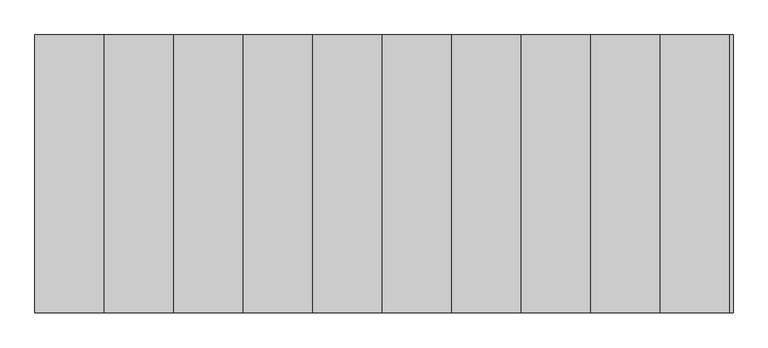
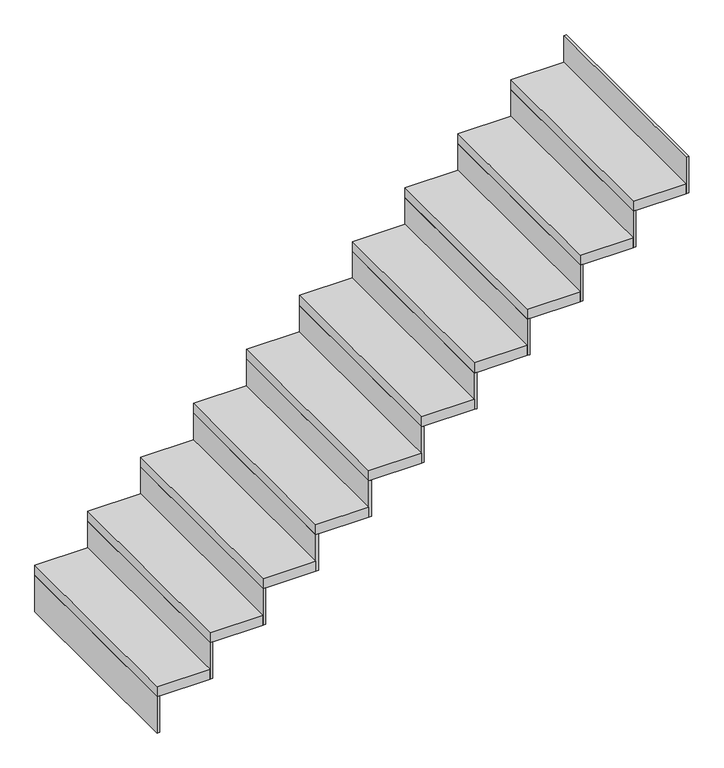
"""IFC4 building model written with IfcOpenShell, lengths in millimetres: stair flight geometry."""

from ifc_helpers import new_model, si_unit, frame, origin, place, context, project, spatial, polyline, outline, extrude, source, transform, mapped, element, save


def stair_flight_13216d06(model_context):
    return source(origin(), model_context, "Body", "SweptSolid", [
        extrude(outline(polyline([(5692.0324543, -17848.2676251), (5679.5324543, -17848.2676251), (5679.5324543, -16848.2676251), (5692.0324543, -16848.2676251), (5692.0324543, -17848.2676251)])), frame((0.0, 0.0, 1950.0), z_axis=(0.0, 0.0, 1.0), x_axis=(1.0, 0.0, 0.0)), (0.0, 0.0, 1.0), 181.8181818),
        extrude(outline(polyline([(5929.5324543, -16848.2676251), (5929.5324543, -17848.2676251), (5679.5324543, -17848.2676251), (5679.5324543, -16848.2676251), (5929.5324543, -16848.2676251)])), frame((0.0, 0.0, 2131.8181818), z_axis=(0.0, 0.0, 1.0), x_axis=(1.0, 0.0, 0.0)), (0.0, 0.0, 1.0), 50.0),
        extrude(outline(polyline([(5942.0324543, -17848.2676251), (5929.5324543, -17848.2676251), (5929.5324543, -16848.2676251), (5942.0324543, -16848.2676251), (5942.0324543, -17848.2676251)])), frame((0.0, 0.0, 2131.8181818), z_axis=(0.0, 0.0, 1.0), x_axis=(1.0, 0.0, 0.0)), (0.0, 0.0, 1.0), 181.8181818),
        extrude(outline(polyline([(6179.5324543, -16848.2676251), (6179.5324543, -17848.2676251), (5929.5324543, -17848.2676251), (5929.5324543, -16848.2676251), (6179.5324543, -16848.2676251)])), frame((0.0, 0.0, 2313.6363636), z_axis=(0.0, 0.0, 1.0), x_axis=(1.0, 0.0, 0.0)), (0.0, 0.0, 1.0), 50.0),
        extrude(outline(polyline([(6192.0324543, -17848.2676251), (6179.5324543, -17848.2676251), (6179.5324543, -16848.2676251), (6192.0324543, -16848.2676251), (6192.0324543, -17848.2676251)])), frame((0.0, 0.0, 2313.6363636), z_axis=(0.0, 0.0, 1.0), x_axis=(1.0, 0.0, 0.0)), (0.0, 0.0, 1.0), 181.8181818),
        extrude(outline(polyline([(6429.5324543, -16848.2676251), (6429.5324543, -17848.2676251), (6179.5324543, -17848.2676251), (6179.5324543, -16848.2676251), (6429.5324543, -16848.2676251)])), frame((0.0, 0.0, 2495.4545455), z_axis=(0.0, 0.0, 1.0), x_axis=(1.0, 0.0, 0.0)), (0.0, 0.0, 1.0), 50.0),
        extrude(outline(polyline([(6442.0324543, -17848.2676251), (6429.5324543, -17848.2676251), (6429.5324543, -16848.2676251), (6442.0324543, -16848.2676251), (6442.0324543, -17848.2676251)])), frame((0.0, 0.0, 2495.4545455), z_axis=(0.0, 0.0, 1.0), x_axis=(1.0, 0.0, 0.0)), (0.0, 0.0, 1.0), 181.8181818),
        extrude(outline(polyline([(6679.5324543, -16848.2676251), (6679.5324543, -17848.2676251), (6429.5324543, -17848.2676251), (6429.5324543, -16848.2676251), (6679.5324543, -16848.2676251)])), frame((0.0, 0.0, 2677.2727273), z_axis=(0.0, 0.0, 1.0), x_axis=(1.0, 0.0, 0.0)), (0.0, 0.0, 1.0), 50.0),
        extrude(outline(polyline([(6692.0324543, -17848.2676251), (6679.5324543, -17848.2676251), (6679.5324543, -16848.2676251), (6692.0324543, -16848.2676251), (6692.0324543, -17848.2676251)])), frame((0.0, 0.0, 2677.2727273), z_axis=(0.0, 0.0, 1.0), x_axis=(1.0, 0.0, 0.0)), (0.0, 0.0, 1.0), 181.8181818),
        extrude(outline(polyline([(6929.5324543, -16848.2676251), (6929.5324543, -17848.2676251), (6679.5324543, -17848.2676251), (6679.5324543, -16848.2676251), (6929.5324543, -16848.2676251)])), frame((0.0, 0.0, 2859.0909091), z_axis=(0.0, 0.0, 1.0), x_axis=(1.0, 0.0, 0.0)), (0.0, 0.0, 1.0), 50.0),
        extrude(outline(polyline([(6942.0324543, -17848.2676251), (6929.5324543, -17848.2676251), (6929.5324543, -16848.2676251), (6942.0324543, -16848.2676251), (6942.0324543, -17848.2676251)])), frame((0.0, 0.0, 2859.0909091), z_axis=(0.0, 0.0, 1.0), x_axis=(1.0, 0.0, 0.0)), (0.0, 0.0, 1.0), 181.8181818),
        extrude(outline(polyline([(7179.5324543, -16848.2676251), (7179.5324543, -17848.2676251), (6929.5324543, -17848.2676251), (6929.5324543, -16848.2676251), (7179.5324543, -16848.2676251)])), frame((0.0, 0.0, 3040.9090909), z_axis=(0.0, 0.0, 1.0), x_axis=(1.0, 0.0, 0.0)), (0.0, 0.0, 1.0), 50.0),
        extrude(outline(polyline([(7192.0324543, -17848.2676251), (7179.5324543, -17848.2676251), (7179.5324543, -16848.2676251), (7192.0324543, -16848.2676251), (7192.0324543, -17848.2676251)])), frame((0.0, 0.0, 3040.9090909), z_axis=(0.0, 0.0, 1.0), x_axis=(1.0, 0.0, 0.0)), (0.0, 0.0, 1.0), 181.8181818),
        extrude(outline(polyline([(7429.5324543, -16848.2676251), (7429.5324543, -17848.2676251), (7179.5324543, -17848.2676251), (7179.5324543, -16848.2676251), (7429.5324543, -16848.2676251)])), frame((0.0, 0.0, 3222.7272727), z_axis=(0.0, 0.0, 1.0), x_axis=(1.0, 0.0, 0.0)), (0.0, 0.0, 1.0), 50.0),
        extrude(outline(polyline([(7442.0324543, -17848.2676251), (7429.5324543, -17848.2676251), (7429.5324543, -16848.2676251), (7442.0324543, -16848.2676251), (7442.0324543, -17848.2676251)])), frame((0.0, 0.0, 3222.7272727), z_axis=(0.0, 0.0, 1.0), x_axis=(1.0, 0.0, 0.0)), (0.0, 0.0, 1.0), 181.8181818),
        extrude(outline(polyline([(7679.5324543, -16848.2676251), (7679.5324543, -17848.2676251), (7429.5324543, -17848.2676251), (7429.5324543, -16848.2676251), (7679.5324543, -16848.2676251)])), frame((0.0, 0.0, 3404.5454545), z_axis=(0.0, 0.0, 1.0), x_axis=(1.0, 0.0, 0.0)), (0.0, 0.0, 1.0), 50.0),
        extrude(outline(polyline([(7692.0324543, -17848.2676251), (7679.5324543, -17848.2676251), (7679.5324543, -16848.2676251), (7692.0324543, -16848.2676251), (7692.0324543, -17848.2676251)])), frame((0.0, 0.0, 3404.5454545), z_axis=(0.0, 0.0, 1.0), x_axis=(1.0, 0.0, 0.0)), (0.0, 0.0, 1.0), 181.8181818),
        extrude(outline(polyline([(7929.5324543, -16848.2676251), (7929.5324543, -17848.2676251), (7679.5324543, -17848.2676251), (7679.5324543, -16848.2676251), (7929.5324543, -16848.2676251)])), frame((0.0, 0.0, 3586.3636364), z_axis=(0.0, 0.0, 1.0), x_axis=(1.0, 0.0, 0.0)), (0.0, 0.0, 1.0), 50.0),
        extrude(outline(polyline([(7942.0324543, -17848.2676251), (7929.5324543, -17848.2676251), (7929.5324543, -16848.2676251), (7942.0324543, -16848.2676251), (7942.0324543, -17848.2676251)])), frame((0.0, 0.0, 3586.3636364), z_axis=(0.0, 0.0, 1.0), x_axis=(1.0, 0.0, 0.0)), (0.0, 0.0, 1.0), 181.8181818),
        extrude(outline(polyline([(8192.0324543, -17848.2676251), (8179.5324543, -17848.2676251), (8179.5324543, -16848.2676251), (8192.0324543, -16848.2676251), (8192.0324543, -17848.2676251)])), frame((0.0, 0.0, 3768.1818182), z_axis=(0.0, 0.0, 1.0), x_axis=(1.0, 0.0, 0.0)), (0.0, 0.0, 1.0), 181.8181818),
        extrude(outline(polyline([(8179.5324543, -16848.2676251), (8179.5324543, -17848.2676251), (7929.5324543, -17848.2676251), (7929.5324543, -16848.2676251), (8179.5324543, -16848.2676251)])), frame((0.0, 0.0, 3768.1818182), z_axis=(0.0, 0.0, 1.0), x_axis=(1.0, 0.0, 0.0)), (0.0, 0.0, 1.0), 50.0),
    ])


if __name__ == "__main__":
    model = new_model("IFC4")
    model_context = context("Model", 3, world=origin())
    ifc_project = project(units=[si_unit("LENGTHUNIT", "METRE", prefix="MILLI")], contexts=[model_context])
    site = spatial("IfcSite", under=ifc_project)
    building = spatial("IfcBuilding", under=site)
    placement = place(None, origin())
    stair_flight_shape = stair_flight_13216d06(model_context)
    element("IfcStairFlight", 1, at=placement, inside=building, context=model_context, shape_type="MappedRepresentation", body=[
        mapped(stair_flight_shape, transform((0.0, 0.0, 0.0), x_axis=(1.0, 0.0, 0.0), y_axis=(0.0, 1.0, 0.0), z_axis=(0.0, 0.0, 1.0))),
    ])
    save(model, "model.ifc")
